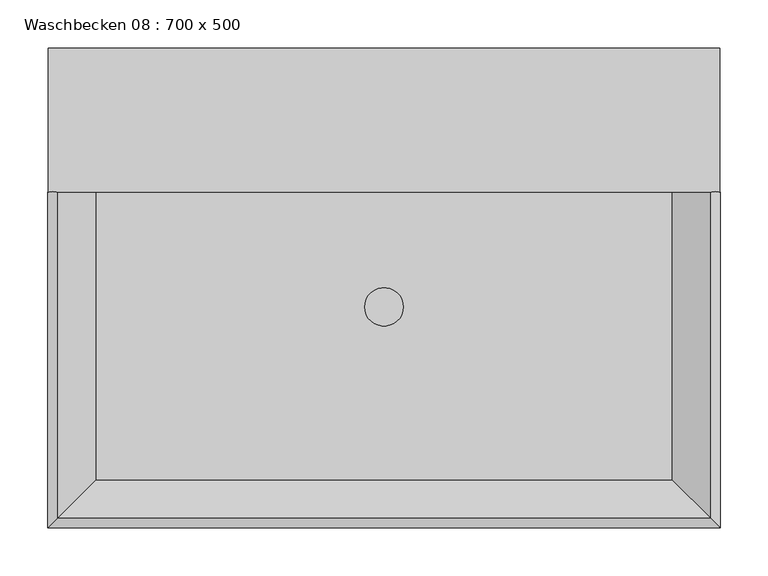
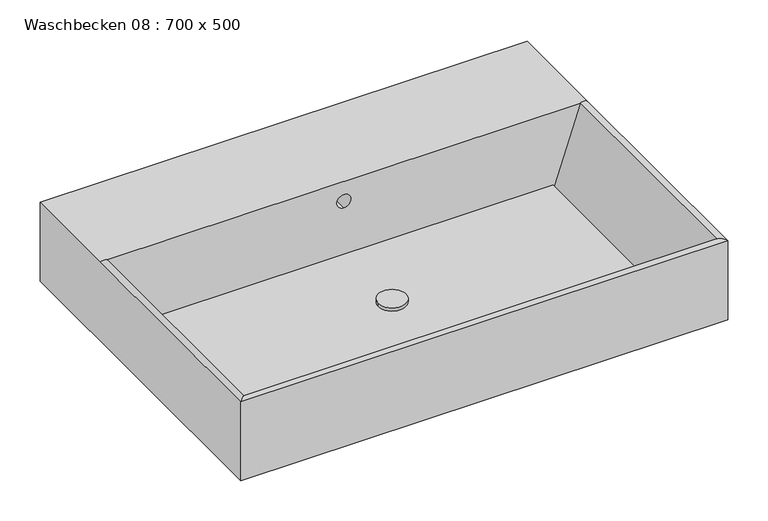
"""IFC4 building model written with IfcOpenShell, lengths in millimetres: flow terminal geometry, Waschbecken 08 : 700 x 500."""

from ifc_helpers import new_model, si_unit, point, frame, frame_2d, origin, origin_with_axes, place, context, project, spatial, polyline, circle_curve, ellipse_curve, trimmed, segment, composite_curve, outline, extrude, source, transform, mapped, element, save
from ifc_brep_helpers import plane_surface, cylinder_surface, revolved_surface, advanced_brep


def waschbecken_08_700_x_500_a18c6ad1(model_context):
    return source(origin(), model_context, "Body", "SolidModel", [
        extrude(outline(composite_curve([segment(trimmed(circle_curve(frame_2d((122.8920636, 30.0)), 20.0), [point((102.8920636, 30.0))], [point((142.8920636, 30.0))], False, "CARTESIAN"), True, "CONTINUOUS"), segment(trimmed(circle_curve(frame_2d((122.8920636, 30.0)), 20.0), [point((142.8920636, 30.0))], [point((102.8920636, 30.0))], False, "CARTESIAN"), True, "CONTINUOUS")], self_intersect=False)), frame((0.0, 0.0, 10.0), z_axis=(0.0, 0.0, 1.0), x_axis=(1.0, 0.0, 0.0)), (0.0, 0.0, 1.0), 5.0),
        advanced_brep(
        [(-227.1079364, 300.0, 120.0), (-227.1079364, 300.0, 0.0), (-227.1079364, -200.0, 0.0), (-227.1079364, -200.0, 120.0), (-227.1079364, 150.0, 120.0), (472.8920636, 300.0, 120.0), (472.8920636, 150.0, 120.0), (472.8920636, -200.0, 120.0), (472.8920636, -200.0, 0.0), (472.8920636, 300.0, 0.0), (-217.1079364, 150.0, 120.0), (462.8920636, 150.0, 120.0), (-177.1079364, 150.0, 0.0), (422.8920636, 150.0, 0.0), (122.8920636, 150.0, 100.3782299), (122.8920636, 150.0, 80.3782299), (-177.1079364, -150.0, 0.0), (422.8920636, -150.0, 0.0), (-217.1079364, -190.0, 120.0), (462.8920636, -190.0, 120.0), (122.8920636, 257.7905674, 100.3782299), (122.8920636, 257.7905674, 80.3782299)],
        [
            (0, 1),
            (1, 2),
            (2, 3),
            (3, 4),
            (4, 0),
            (5, 6),
            (6, 7),
            (7, 8),
            (8, 9),
            (9, 5),
            (4, 10),
            (10, 11),
            (11, 6),
            (5, 0),
            (10, 12),
            (12, 13),
            (13, 11),
            (14, 15, circle_curve(frame((122.8920636, 150.0, 90.3782299), z_axis=(0.0, 1.0, 0.0), x_axis=(0.0, 0.0, -1.0)), 10.0)),
            (15, 14, circle_curve(frame((122.8920636, 150.0, 90.3782299), z_axis=(0.0, 1.0, 0.0), x_axis=(0.0, 0.0, -1.0)), 10.0)),
            (1, 9),
            (8, 2),
            (12, 16),
            (16, 17),
            (17, 13),
            (4, 10, circle_curve(frame((-222.1079364, 150.0, 112.6162401), z_axis=(0.0, 1.0, 0.0), x_axis=(1.0, 0.0, 0.0)), 8.9173937)),
            (10, 18),
            (18, 16),
            (7, 3),
            (18, 19),
            (19, 17),
            (11, 6, circle_curve(frame((467.8920636, 150.0, 112.6162401), z_axis=(0.0, 1.0, 0.0), x_axis=(-1.0, 0.0, 0.0)), 8.9173937)),
            (19, 11),
            (3, 18, ellipse_curve(frame((-222.1079364, -195.0, 112.6162401), z_axis=(-0.7071067811865475, 0.7071067811865475, 0.0), x_axis=(0.7071067811865474, 0.7071067811865476, 0.0)), 12.6110991, 8.9173937)),
            (7, 19, ellipse_curve(frame((467.8920636, -195.0, 112.6162401), z_axis=(-0.7071067811865475, -0.7071067811865475, 0.0), x_axis=(-0.7071067811865476, 0.7071067811865474, 0.0)), 12.6110991, 8.9173937)),
            (20, 21, circle_curve(frame((122.8920636, 257.7905674, 90.3782299), z_axis=(0.0, -1.0, 0.0), x_axis=(0.0, 0.0, -1.0)), 10.0)),
            (21, 20, circle_curve(frame((122.8920636, 257.7905674, 90.3782299), z_axis=(0.0, -1.0, 0.0), x_axis=(0.0, 0.0, -1.0)), 10.0)),
            (21, 15),
            (14, 20),
        ],
        [
            plane_surface(frame((-227.1079364, 150.0, 120.0), z_axis=(-1.0, 0.0, 0.0), x_axis=(0.0, 1.0, 0.0))),
            plane_surface(frame((472.8920636, 150.0, 120.0), z_axis=(1.0, 0.0, 0.0), x_axis=(0.0, -1.0, 0.0))),
            plane_surface(frame((472.8920636, 300.0, 120.0), z_axis=(0.0, 0.0, 1.0), x_axis=(-1.0, 0.0, 0.0))),
            plane_surface(frame((472.8920636, 150.0, 120.0), z_axis=(0.0, -1.0, 0.0), x_axis=(-1.0, 0.0, 0.0))),
            plane_surface(frame((472.8920636, 150.0, 0.0), z_axis=(0.0, 0.0, -1.0), x_axis=(-1.0, 0.0, 0.0))),
            plane_surface(frame((472.8920636, 300.0, 0.0), z_axis=(0.0, 1.0, 0.0), x_axis=(-1.0, 0.0, 0.0))),
            plane_surface(frame((-227.1079364, 150.0, 0.0), z_axis=(0.0, 1.0, 0.0), x_axis=(0.0, 0.0, 1.0))),
            plane_surface(frame((-217.1079364, 150.0, 120.0), z_axis=(0.9486832980505062, 0.0, 0.316227766016861), x_axis=(0.0, -1.0, 0.0))),
            plane_surface(frame((-227.1079364, -200.0, 0.0), z_axis=(0.0, -1.0, 0.0), x_axis=(1.0, 0.0, 0.0))),
            plane_surface(frame((-217.1079364, -190.0, 120.0), z_axis=(0.0, 0.9486832980505052, 0.316227766016864), x_axis=(1.0, 0.0, 0.0))),
            plane_surface(frame((472.8920636, 150.0, 0.0), z_axis=(0.0, 1.0, 0.0), x_axis=(0.0, 0.0, 1.0))),
            plane_surface(frame((462.8920636, -190.0, 120.0), z_axis=(-0.9486832980505042, 0.0, 0.316227766016867), x_axis=(0.0, 1.0, 0.0))),
            cylinder_surface(frame((-222.1079364, 150.0, 112.6162401), z_axis=(0.0, 1.0, 0.0), x_axis=(1.0, 0.0, 0.0)), 8.9173937),
            cylinder_surface(frame((-227.1079364, -195.0, 112.6162401), z_axis=(-1.0, 0.0, 0.0), x_axis=(0.0, 1.0, 0.0)), 8.9173937),
            cylinder_surface(frame((467.8920636, -200.0, 112.6162401), z_axis=(0.0, -1.0, 0.0), x_axis=(-1.0, 0.0, 0.0)), 8.9173937),
            plane_surface(frame((122.8920636, 257.7905674, 80.3782299), z_axis=(0.0, -1.0, 0.0), x_axis=(-1.0, 0.0, 0.0))),
            revolved_surface(polyline([(122.8920636, 257.7905674, 80.3782299), (122.8920636, 150.0, 80.3782299)]), (122.8920636, 150.0, 90.3782299), (0.0, 1.0, 0.0)),
        ],
        [
            (0, [[1, 2, 3, 4, 5]]),
            (1, [[6, 7, 8, 9, 10]]),
            (2, [[-5, 11, 12, 13, -6, 14]]),
            (3, [[-12, 15, 16, 17], [18, 19]]),
            (4, [[20, -9, 21, -2], [22, 23, 24, -16]]),
            (5, [[-1, -14, -10, -20]]),
            (6, [[25, -11]]),
            (7, [[26, 27, -22, -15]]),
            (8, [[-3, -21, -8, 28]]),
            (9, [[-27, 29, 30, -23]]),
            (10, [[31, -13]]),
            (11, [[-24, -30, 32, -17]]),
            (12, [[-25, -4, 33, -26]]),
            (13, [[-28, 34, -29, -33]]),
            (14, [[-31, -32, -34, -7]]),
            (15, [[35, 36]]),
            (16, [[-36, 37, -18, 38]]),
            (16, [[-35, -38, -19, -37]]),
        ],
    ),
        extrude(outline(polyline([(422.8920636, 150.0), (422.8920636, -150.0), (-177.1079364, -150.0), (-177.1079364, 150.0), (422.8920636, 150.0)])), origin_with_axes(), (0.0, 0.0, 1.0), 10.0),
    ])


if __name__ == "__main__":
    model = new_model("IFC4")
    model_context = context("Model", 3, world=origin())
    ifc_project = project(units=[si_unit("LENGTHUNIT", "METRE", prefix="MILLI")], contexts=[model_context])
    site = spatial("IfcSite", under=ifc_project)
    building = spatial("IfcBuilding", under=site)
    placement = place(None, origin())
    waschbecken_08_700_x_500_shape = waschbecken_08_700_x_500_a18c6ad1(model_context)
    element("IfcFlowTerminal", 1, ObjectType="Waschbecken 08 : 700 x 500", at=placement, inside=building, context=model_context, shape_type="MappedRepresentation", body=[
        mapped(waschbecken_08_700_x_500_shape, transform((0.0, 0.0, 0.0), x_axis=(1.0, 0.0, 0.0), y_axis=(0.0, 1.0, 0.0), z_axis=(0.0, 0.0, 1.0))),
    ])
    save(model, "model.ifc")
